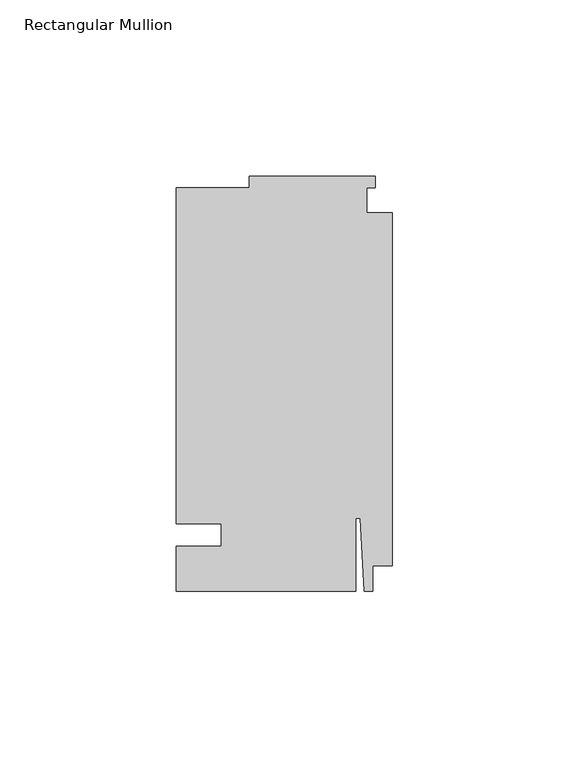
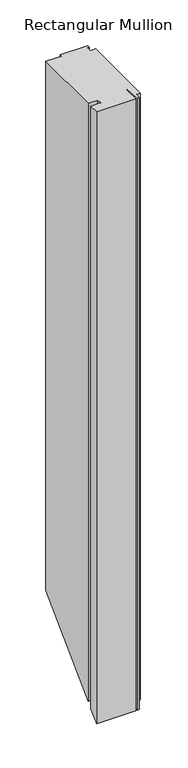
"""IFC4 building model written with IfcOpenShell, lengths in millimetres: member geometry, Rectangular Mullion."""

import ifcopenshell
import ifcopenshell.guid

model = None  # the IFC model being written
_history = None  # IfcOwnerHistory: only IFC2X3 demands one
_inside = {}  # id of a spatial element -> (the spatial element, [elements in it])
_under = {}  # id of a project, library or spatial element -> (it, [spatial elements below it])
_declared = {}  # id of a project -> (the project, [libraries it declares])
_typed = {}  # id of a type object -> (the type object, [elements of that type])
_made_of = {}  # id of a material, layer set ... -> (it, [elements and type objects made of it])


def new_model(schema):
    """Start an empty IFC model of exactly this schema.

    Asked for "IFC4X3", IfcOpenShell would pick the latest addendum, in which some entities
    have other attributes; the version numbers below select the first issue.
    IFC2X3 requires an IfcOwnerHistory on every rooted entity: one is made here for all.
    """
    global model, _history
    if schema == "IFC4X3":
        model = ifcopenshell.file(schema_version=(4, 3, 0, 0))
    else:
        model = ifcopenshell.file(schema=schema)
    _inside.clear()
    _under.clear()
    _declared.clear()
    _typed.clear()
    _made_of.clear()
    _history = None
    if model.schema == "IFC2X3":
        org = make("IfcOrganization", Name="unknown")
        user = make(
            "IfcPersonAndOrganization",
            ThePerson=make("IfcPerson", FamilyName="unknown"),
            TheOrganization=org,
        )
        app = make(
            "IfcApplication",
            ApplicationDeveloper=org,
            Version="unknown",
            ApplicationFullName="unknown",
            ApplicationIdentifier="unknown",
        )
        _history = make(
            "IfcOwnerHistory",
            OwningUser=user,
            OwningApplication=app,
            ChangeAction="ADDED",
            CreationDate=0,
        )
    return model


def make(cls, **values):
    """One entity of the class cls with the attributes given. An attribute that is None is left unset."""
    return model.create_entity(
        cls, **{name: value for name, value in values.items() if value is not None}
    )


def rooted(cls, **values):
    """An entity with a GlobalId (a new one), such as an element, a storey or a relation."""
    return make(cls, GlobalId=ifcopenshell.guid.new(), OwnerHistory=_history, **values)


def si_unit(unit_type, name, prefix=None):
    """IfcSIUnit, for example si_unit("LENGTHUNIT", "METRE", prefix="MILLI")."""
    return make("IfcSIUnit", UnitType=unit_type, Prefix=prefix, Name=name)


def assignment(units):
    """IfcUnitAssignment: the units of a project."""
    return None if units is None else make("IfcUnitAssignment", Units=units)


def point(xyz):
    """IfcCartesianPoint."""
    return None if xyz is None else make("IfcCartesianPoint", Coordinates=xyz)


def direction(xyz):
    """IfcDirection."""
    return None if xyz is None else make("IfcDirection", DirectionRatios=xyz)


def frame(location, z_axis=None, x_axis=None):
    """IfcAxis2Placement3D, a coordinate frame: its origin and axes. An axis left out is left unset."""
    return make(
        "IfcAxis2Placement3D",
        Location=point(location),
        Axis=direction(z_axis),
        RefDirection=direction(x_axis),
    )


def origin():
    """The frame at (0, 0, 0) with its axes left unset."""
    return frame((0.0, 0.0, 0.0))


def place(relative_to, where):
    """IfcLocalPlacement: puts the frame where relative to a parent placement (None: the world)."""
    return make(
        "IfcLocalPlacement", PlacementRelTo=relative_to, RelativePlacement=where
    )


def context(
    kind, dimensions, precision=None, world=None, true_north=None, identifier=None
):
    """IfcGeometricRepresentationContext, for example the 3D "Model" context."""
    return make(
        "IfcGeometricRepresentationContext",
        ContextIdentifier=identifier,
        ContextType=kind,
        CoordinateSpaceDimension=dimensions,
        Precision=precision,
        WorldCoordinateSystem=world,
        TrueNorth=true_north,
    )


def project(units=None, contexts=None):
    """IfcProject with its units and contexts."""
    return rooted(
        "IfcProject",
        Name="project",
        RepresentationContexts=contexts,
        UnitsInContext=assignment(units),
    )


def spatial(cls, under=None, at=None, **own):
    """A site, building, storey or space (cls), placed at a placement, below another one or the project."""
    s = rooted(cls, ObjectPlacement=at, **own)
    if under is not None:
        _under.setdefault(under.id(), (under, []))[1].append(s)
    return s


def faces_of(points, faces, orient=None, outer=None):
    """IfcFace entities. A face is a list of loops; a loop is a list of indices into points, from 0.

    orient and outer hold one flag for each loop. By default every Orientation is true, the
    first loop of a face is its IfcFaceOuterBound and the others are IfcFaceBound.
    """
    made = []
    for i, loops in enumerate(faces):
        bounds = []
        for j, loop in enumerate(loops):
            is_outer = j == 0 if outer is None else outer[i][j]
            bounds.append(
                make(
                    "IfcFaceOuterBound" if is_outer else "IfcFaceBound",
                    Bound=make("IfcPolyLoop", Polygon=[points[k] for k in loop]),
                    Orientation=True if orient is None else orient[i][j],
                )
            )
        made.append(make("IfcFace", Bounds=bounds))
    return made


def faceted_brep(points, faces, orient=None, outer=None, voids=None):
    """IfcFacetedBrep: a solid bounded by flat faces; with voids (closed shells), ...WithVoids."""
    shared = [point(p) for p in points]
    hull = make("IfcClosedShell", CfsFaces=faces_of(shared, faces, orient, outer))
    if voids is None:
        return make("IfcFacetedBrep", Outer=hull)
    return make(
        "IfcFacetedBrepWithVoids",
        Outer=hull,
        Voids=[
            make(cls, CfsFaces=faces_of(shared, fs, o, b)) for cls, fs, o, b in voids
        ],
    )


def shape(context_of_items, identifier, shape_type, items):
    """IfcShapeRepresentation: the items that make up one representation, for example the "Body"."""
    return make(
        "IfcShapeRepresentation",
        ContextOfItems=context_of_items,
        RepresentationIdentifier=identifier,
        RepresentationType=shape_type,
        Items=items,
    )


def source(mapping_origin, context_of_items, identifier, shape_type, items):
    """IfcRepresentationMap: a shape defined once, which mapped items show again and again."""
    return make(
        "IfcRepresentationMap",
        MappingOrigin=mapping_origin,
        MappedRepresentation=shape(context_of_items, identifier, shape_type, items),
    )


def transform(
    local_origin,
    x_axis=None,
    y_axis=None,
    z_axis=None,
    scale=None,
    scale2=None,
    scale3=None,
    uniform=True,
):
    """IfcCartesianTransformationOperator3D, or its non-uniform kind. x_axis, y_axis, z_axis: its Axis1, 2, 3."""
    if uniform:
        return make(
            "IfcCartesianTransformationOperator3D",
            Axis1=direction(x_axis),
            Axis2=direction(y_axis),
            LocalOrigin=point(local_origin),
            Scale=scale,
            Axis3=direction(z_axis),
        )
    return make(
        "IfcCartesianTransformationOperator3DnonUniform",
        Axis1=direction(x_axis),
        Axis2=direction(y_axis),
        LocalOrigin=point(local_origin),
        Scale=scale,
        Axis3=direction(z_axis),
        Scale2=scale2,
        Scale3=scale3,
    )


def mapped(mapping_source, mapping_target):
    """IfcMappedItem: shows the shape of a source again, moved by a transform."""
    return make(
        "IfcMappedItem", MappingSource=mapping_source, MappingTarget=mapping_target
    )


def made_of(thing, what):
    """Note that an element or type object is made of a material, layer set ...; save() writes the relation."""
    if what is not None:
        _made_of.setdefault(what.id(), (what, []))[1].append(thing)
    return thing


def element(
    cls,
    number,
    at=None,
    inside=None,
    cuts=None,
    type_object=None,
    material=None,
    context=None,
    identifier="Body",
    shape_type=None,
    held_by="IfcProductDefinitionShape",
    body=None,
    shapes=None,
    **own,
):
    """One element of the class cls, such as IfcWall. Its Tag is "e" and its number.

    at: its placement. inside: the storey or other place that contains it. cuts: it is an
    opening in that element (IfcRelVoidsElement). A single representation is given by context,
    identifier, shape_type and body (its items); several are given by shapes. held_by: the class
    of the entity that holds the representations. save() writes the other relations.
    """
    e = rooted(cls, Tag="e%d" % number, ObjectPlacement=at, **own)
    if body is not None:
        shapes = [shape(context, identifier, shape_type, body)]
    if shapes is not None:
        e.Representation = make(held_by, Representations=shapes)
    if inside is not None:
        _inside.setdefault(inside.id(), (inside, []))[1].append(e)
    if cuts is not None:
        rooted(
            "IfcRelVoidsElement", RelatingBuildingElement=cuts, RelatedOpeningElement=e
        )
    if type_object is not None:
        _typed.setdefault(type_object.id(), (type_object, []))[1].append(e)
    return made_of(e, material)


def aggregate(whole, parts):
    """IfcRelAggregates: a whole, such as a stair, and the parts it consists of."""
    return rooted("IfcRelAggregates", RelatingObject=whole, RelatedObjects=parts)


def save(model, path):
    """Write the relations noted so far, then the file.

    IfcRelAggregates (storeys below a building ...), IfcRelContainedInSpatialStructure (elements
    in a storey), IfcRelDefinesByType, IfcRelAssociatesMaterial and IfcRelDeclares: one each for
    every whole, place, type object, material and project.
    """
    for whole, parts in _under.values():
        aggregate(whole, parts)
    for where, things in _inside.values():
        rooted(
            "IfcRelContainedInSpatialStructure",
            RelatedElements=things,
            RelatingStructure=where,
        )
    for kind, things in _typed.values():
        rooted("IfcRelDefinesByType", RelatedObjects=things, RelatingType=kind)
    for what, things in _made_of.values():
        rooted("IfcRelAssociatesMaterial", RelatedObjects=things, RelatingMaterial=what)
    for by, libraries in _declared.values():
        rooted("IfcRelDeclares", RelatingContext=by, RelatedDefinitions=libraries)
    model.write(path)


def rectangular_mullion_7f5a55cf(model_context):
    return source(origin(), model_context, "Body", "Brep", [
        faceted_brep([(-48.41875, 3.175, 0.0), (-48.41875, -3.175, 0.0), (-61.11875, -3.175, 0.0), (-61.11875, -15.875, 0.0), (-10.31875, -15.875, 0.0), (-10.31875, 4.7625, 0.0), (-9.0190655, 4.7625, 0.0), (-7.9375, -15.875, 0.0), (-5.55625, -15.875, 0.0), (-5.55625, -8.73125, 0.0), (0.0, -8.73125, 0.0), (0.0, 91.28125, 0.0), (-7.14375, 91.28125, 0.0), (-7.14375, 98.425, 0.0), (-4.7625, 98.425, 0.0), (-4.7625, 101.6, 0.0), (-40.48125, 101.6, 0.0), (-40.48125, 98.425, 0.0), (-61.11875, 98.425, 0.0), (-61.11875, 3.175, 0.0), (-48.41875, 3.175, -822.325), (-48.41875, -3.175, -828.675), (-61.11875, -3.175, -828.675), (-61.11875, -15.875, -841.375), (-10.31875, -15.875, -841.375), (-10.31875, 4.7625, -820.7375), (-9.0190655, 4.7625, -820.7375), (-7.9375, -15.875, -841.375), (-5.55625, -15.875, -841.375), (-5.55625, -8.73125, -834.23125), (0.0, -8.73125, -834.23125), (0.0, 91.28125, -734.21875), (-7.14375, 91.28125, -734.21875), (-7.14375, 98.425, -727.075), (-4.7625, 98.425, -727.075), (-4.7625, 101.6, -723.9), (-40.48125, 101.6, -723.9), (-40.48125, 98.425, -727.075), (-61.11875, 98.425, -727.075), (-61.11875, 3.175, -822.325)], [[[0, 1, 2, 3, 4, 5, 6, 7, 8, 9, 10, 11, 12, 13, 14, 15, 16, 17, 18, 19]], [[1, 0, 20, 21]], [[2, 1, 21, 22]], [[3, 2, 22, 23]], [[4, 3, 23, 24]], [[5, 4, 24, 25]], [[6, 5, 25, 26]], [[7, 6, 26, 27]], [[8, 7, 27, 28]], [[9, 8, 28, 29]], [[10, 9, 29, 30]], [[11, 10, 30, 31]], [[12, 11, 31, 32]], [[13, 12, 32, 33]], [[14, 13, 33, 34]], [[15, 14, 34, 35]], [[16, 15, 35, 36]], [[17, 16, 36, 37]], [[18, 17, 37, 38]], [[19, 18, 38, 39]], [[0, 19, 39, 20]], [[20, 39, 38, 37, 36, 35, 34, 33, 32, 31, 30, 29, 28, 27, 26, 25, 24, 23, 22, 21]]]),
    ])


if __name__ == "__main__":
    model = new_model("IFC4")
    model_context = context("Model", 3, world=origin())
    ifc_project = project(units=[si_unit("LENGTHUNIT", "METRE", prefix="MILLI")], contexts=[model_context])
    site = spatial("IfcSite", under=ifc_project)
    building = spatial("IfcBuilding", under=site)
    placement = place(None, origin())
    rectangular_mullion_shape = rectangular_mullion_7f5a55cf(model_context)
    element("IfcMember", 1, ObjectType="Rectangular Mullion", at=placement, inside=building, context=model_context, shape_type="MappedRepresentation", body=[
        mapped(rectangular_mullion_shape, transform((0.0, 0.0, 0.0), x_axis=(1.0, 0.0, 0.0), y_axis=(0.0, 1.0, 0.0), z_axis=(0.0, 0.0, 1.0))),
    ])
    save(model, "model.ifc")
